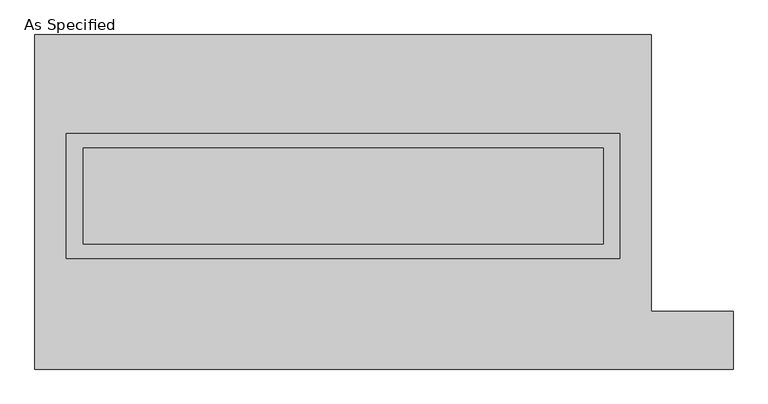
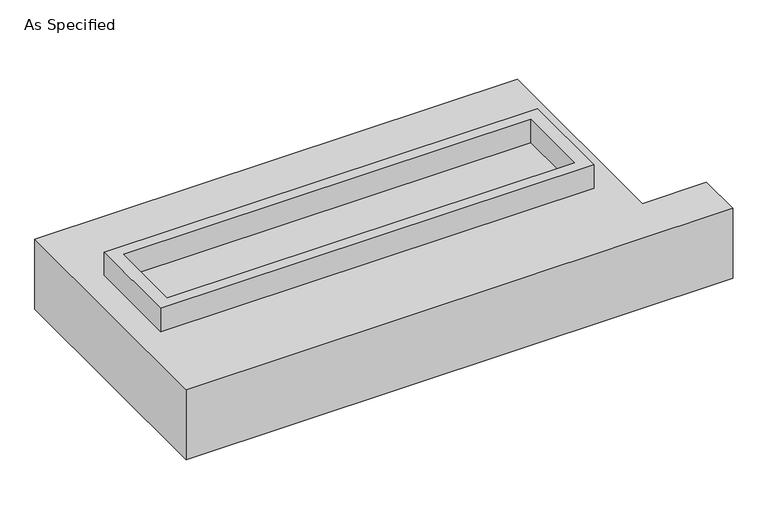
"""IFC4 building model written with IfcOpenShell, lengths in millimetres: proxy geometry, As Specified."""

from ifc_helpers import new_model, si_unit, frame, origin, place, context, project, spatial, polyline, outline, extrude, source, transform, mapped, element, save


def as_specified_f8fd9514(model_context):
    return source(origin(), model_context, "Body", "SweptSolid", [
        extrude(outline(polyline([(1460.5, 361.95), (1460.5, -298.45), (-1460.5, -298.45), (-1460.5, 361.95), (1460.5, 361.95)]), holes=[polyline([(1371.6, 285.75), (-1371.6, 285.75), (-1371.6, -222.25), (1371.6, -222.25), (1371.6, 285.75)])]), frame((0.0, 0.0, -688.975), z_axis=(0.0, 0.0, 1.0), x_axis=(1.0, 0.0, 0.0)), (0.0, 0.0, 1.0), 165.1),
        extrude(outline(polyline([(1460.5, 361.95), (1460.5, -298.45), (-1460.5, -298.45), (-1460.5, 361.95), (1460.5, 361.95)]), holes=[polyline([(1371.6, 285.75), (-1371.6, 285.75), (-1371.6, -222.25), (1371.6, -222.25), (1371.6, 285.75)])]), frame((0.0, 0.0, -25.4), z_axis=(0.0, 0.0, 1.0), x_axis=(1.0, 0.0, 0.0)), (0.0, 0.0, 1.0), 165.1),
        extrude(outline(polyline([(1371.6, 285.75), (1371.6, -222.25), (-1371.6, -222.25), (-1371.6, 285.75), (1371.6, 285.75)])), frame((0.0, 0.0, -523.875), z_axis=(0.0, 0.0, 1.0), x_axis=(1.0, 0.0, 0.0)), (0.0, 0.0, 1.0), 4.9609375),
        extrude(outline(polyline([(1371.6, 285.75), (1371.6, -222.25), (-1371.6, -222.25), (-1371.6, 285.75), (1371.6, 285.75)])), frame((0.0, 0.0, -30.3609375), z_axis=(0.0, 0.0, 1.0), x_axis=(1.0, 0.0, 0.0)), (0.0, 0.0, 1.0), 4.9609375),
        extrude(outline(polyline([(-1625.6, 882.65), (1625.6, 882.65), (1625.6, -577.85), (2057.4, -577.85), (2057.4, -882.65), (-1625.6, -882.65), (-1625.6, 882.65)]), holes=[polyline([(-1460.5, 361.95), (-1460.5, -298.45), (1460.5, -298.45), (1460.5, 361.95), (-1460.5, 361.95)])]), frame((0.0, 0.0, -523.875), z_axis=(0.0, 0.0, 1.0), x_axis=(1.0, 0.0, 0.0)), (0.0, 0.0, 1.0), 498.475),
    ])


if __name__ == "__main__":
    model = new_model("IFC4")
    model_context = context("Model", 3, world=origin())
    ifc_project = project(units=[si_unit("LENGTHUNIT", "METRE", prefix="MILLI")], contexts=[model_context])
    site = spatial("IfcSite", under=ifc_project)
    building = spatial("IfcBuilding", under=site)
    placement = place(None, origin())
    as_specified_shape = as_specified_f8fd9514(model_context)
    element("IfcBuildingElementProxy", 1, Name="As Specified", ObjectType="As Specified", at=placement, inside=building, context=model_context, shape_type="MappedRepresentation", body=[
        mapped(as_specified_shape, transform((0.0, 0.0, 0.0), x_axis=(1.0, 0.0, 0.0), y_axis=(0.0, 1.0, 0.0), z_axis=(0.0, 0.0, 1.0))),
    ])
    save(model, "model.ifc")
